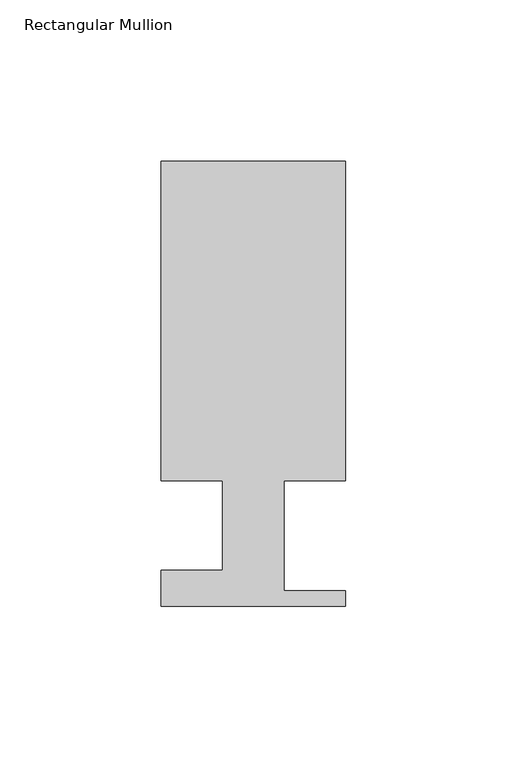
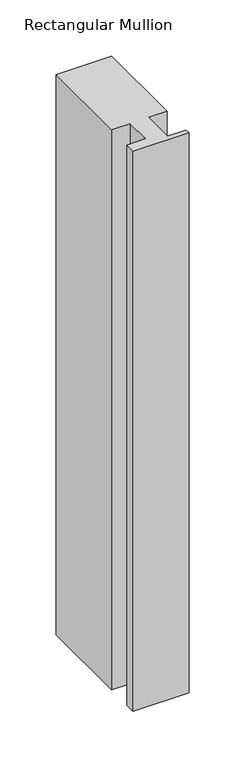
"""IFC4 building model written with IfcOpenShell, lengths in millimetres: member geometry, Rectangular Mullion."""

from ifc_helpers import new_model, si_unit, frame, origin, place, context, project, spatial, polyline, outline, extrude, source, transform, mapped, element, save


def rectangular_mullion_9971009b(model_context):
    return source(origin(), model_context, "Body", "SweptSolid", [
        extrude(outline(polyline([(-57.15, 138.3228438), (0.0, 138.3228438), (0.0, 39.3898437), (-19.05, 39.3898437), (-19.05, 5.3538438), (0.0, 5.3538438), (0.0, 0.5278438), (-57.15, 0.5278438), (-57.15, 11.7038437), (-38.1, 11.7038437), (-38.1, 39.3898437), (-57.15, 39.3898437), (-57.15, 138.3228438)])), frame((0.0, 0.0, -609.6), z_axis=(0.0, 0.0, 1.0), x_axis=(1.0, 0.0, 0.0)), (0.0, 0.0, 1.0), 609.6),
    ])


if __name__ == "__main__":
    model = new_model("IFC4")
    model_context = context("Model", 3, world=origin())
    ifc_project = project(units=[si_unit("LENGTHUNIT", "METRE", prefix="MILLI")], contexts=[model_context])
    site = spatial("IfcSite", under=ifc_project)
    building = spatial("IfcBuilding", under=site)
    placement = place(None, origin())
    rectangular_mullion_shape = rectangular_mullion_9971009b(model_context)
    element("IfcMember", 1, ObjectType="Rectangular Mullion", at=placement, inside=building, context=model_context, shape_type="MappedRepresentation", body=[
        mapped(rectangular_mullion_shape, transform((0.0, 0.0, 0.0), x_axis=(1.0, 0.0, 0.0), y_axis=(0.0, 1.0, 0.0), z_axis=(0.0, 0.0, 1.0))),
    ])
    save(model, "model.ifc")
